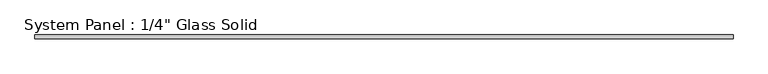
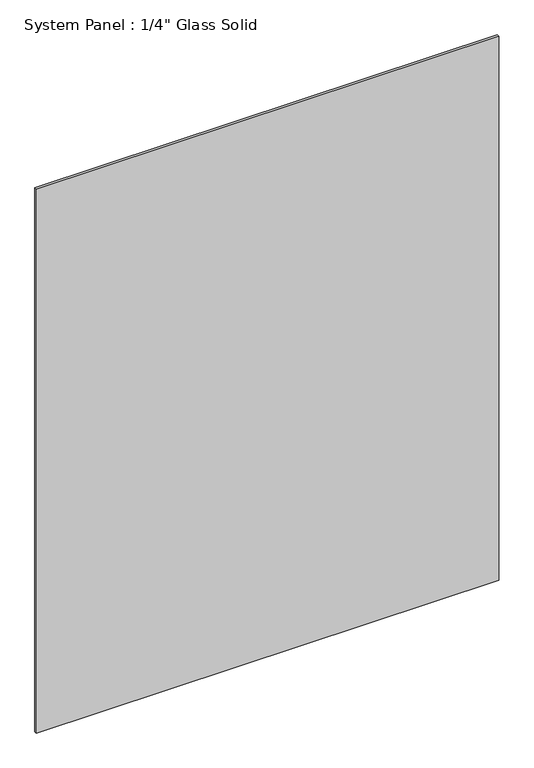
"""IFC4 building model written with IfcOpenShell, lengths in millimetres: plate geometry."""

from ifc_helpers import new_model, si_unit, origin, origin_with_axes, place, context, project, spatial, polyline, outline, extrude, source, transform, mapped, element, save


def plate_89875f41(model_context):
    return source(origin(), model_context, "Body", "SweptSolid", [
        extrude(outline(polyline([(584.2008852, -3.175), (-584.2008852, -3.175), (-584.2008852, 3.175), (584.2008852, 3.175), (584.2008852, -3.175)])), origin_with_axes(), (0.0, 0.0, 1.0), 1452.8817704),
    ])


if __name__ == "__main__":
    model = new_model("IFC4")
    model_context = context("Model", 3, world=origin())
    ifc_project = project(units=[si_unit("LENGTHUNIT", "METRE", prefix="MILLI")], contexts=[model_context])
    site = spatial("IfcSite", under=ifc_project)
    building = spatial("IfcBuilding", under=site)
    placement = place(None, origin())
    plate_shape = plate_89875f41(model_context)
    element("IfcPlate", 1, ObjectType="System Panel : 1/4\" Glass Solid", at=placement, inside=building, context=model_context, shape_type="MappedRepresentation", body=[
        mapped(plate_shape, transform((0.0, 0.0, 0.0), x_axis=(1.0, 0.0, 0.0), y_axis=(0.0, 1.0, 0.0), z_axis=(0.0, 0.0, 1.0))),
    ])
    save(model, "model.ifc")
